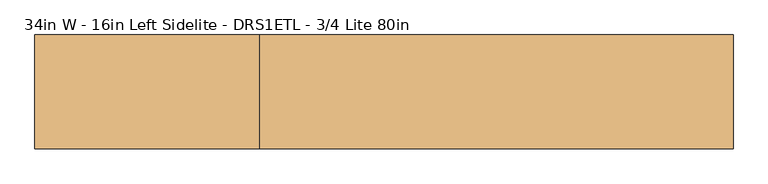
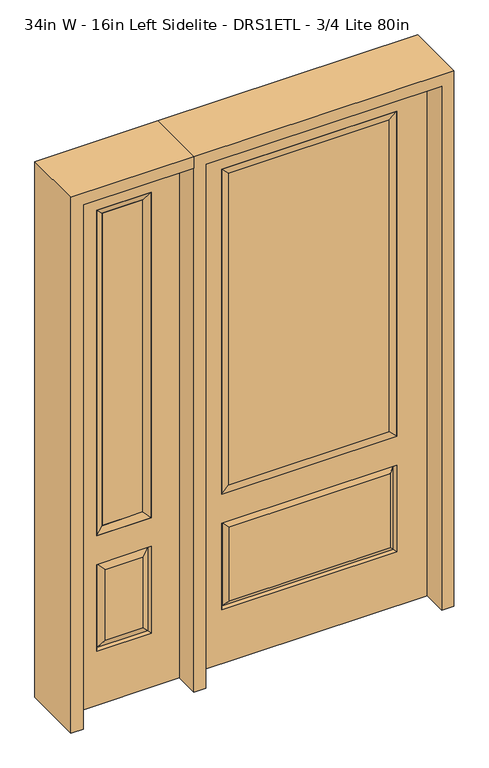
"""IFC4 building model written with IfcOpenShell, lengths in millimetres: door geometry, 34in W - 16in Left Sidelite - DRS1ETL - 3/4 Lite 80in."""

from ifc_helpers import new_model, si_unit, frame, origin, place, context, project, spatial, polyline, outline, extrude, faceted_brep, source, transform, mapped, element, save


def door_34in_w_16in_left_sidelite_drs1etl_3_4_lite_80in_cb9676ec(model_context):
    return source(origin(), model_context, "Body", "SolidModel", [
        faceted_brep([(-882.65, -22.225, 0.0), (-476.25, -22.225, 0.0), (-476.25, -22.225, 2032.0), (-882.65, -22.225, 2032.0), (-579.12, -22.225, 1919.224), (-579.12, -22.225, 657.098), (-779.78, -22.225, 657.098), (-779.78, -22.225, 1919.224), (-579.12, -22.225, 209.55), (-779.78, -22.225, 209.55), (-779.78, -22.225, 546.1), (-579.12, -22.225, 546.1), (-748.0648999, -22.225, 241.2651001), (-610.8351001, -22.225, 241.2651001), (-610.8351001, -22.225, 514.3848999), (-748.0648999, -22.225, 514.3848999), (-882.65, 22.225, 0.0), (-882.65, 22.225, 2032.0), (-476.25, 22.225, 2032.0), (-476.25, 22.225, 0.0), (-579.12, 22.225, 1919.224), (-779.78, 22.225, 1919.224), (-779.78, 22.225, 657.098), (-579.12, 22.225, 657.098), (-779.78, 22.225, 209.55), (-579.12, 22.225, 209.55), (-579.12, 22.225, 546.1), (-779.78, 22.225, 546.1), (-610.8351001, 22.225, 241.2651001), (-748.0648999, 22.225, 241.2651001), (-748.0648999, 22.225, 514.3848999), (-610.8351001, 22.225, 514.3848999), (-586.2288501, 12.7912373, 216.6588501), (-772.6711499, 12.7912373, 216.6588501), (-772.6711499, 12.7912373, 538.9911499), (-586.2288501, 12.7912373, 538.9911499), (-772.6711499, -12.7912373, 216.6588501), (-586.2288501, -12.7912373, 216.6588501), (-772.6711499, -12.7912373, 538.9911499), (-586.2288501, -12.7912373, 538.9911499)], [[[0, 1, 2, 3], [4, 5, 6, 7], [8, 9, 10, 11]], [[12, 13, 14, 15]], [[16, 17, 18, 19], [20, 21, 22, 23], [24, 25, 26, 27]], [[28, 29, 30, 31]], [[1, 0, 16, 19]], [[2, 1, 19, 18]], [[3, 2, 18, 17]], [[0, 3, 17, 16]], [[5, 4, 20, 23]], [[6, 5, 23, 22]], [[7, 6, 22, 21]], [[4, 7, 21, 20]], [[32, 33, 29, 28]], [[33, 32, 25, 24]], [[29, 33, 34, 30]], [[33, 24, 27, 34]], [[30, 34, 35, 31]], [[34, 27, 26, 35]], [[32, 28, 31, 35]], [[25, 32, 35, 26]], [[12, 36, 37, 13]], [[37, 36, 9, 8]], [[36, 12, 15, 38]], [[9, 36, 38, 10]], [[38, 15, 14, 39]], [[10, 38, 39, 11]], [[13, 37, 39, 14]], [[37, 8, 11, 39]]]),
        faceted_brep([(-779.78, 22.225, 1919.224), (-779.78, -22.225, 1919.224), (-579.12, -22.225, 1919.224), (-579.12, 22.225, 1919.224), (-754.38, 12.7, 1893.824), (-604.52, 12.7, 1893.824), (-754.38, -12.7, 1893.824), (-604.52, -12.7, 1893.824), (-579.12, -22.225, 657.098), (-579.12, 22.225, 657.098), (-604.52, 12.7, 682.498), (-604.52, -12.7, 682.498), (-779.78, -22.225, 657.098), (-779.78, 22.225, 657.098), (-754.38, 12.7, 682.498), (-754.38, -12.7, 682.498)], [[[0, 1, 2, 3]], [[4, 0, 3, 5]], [[6, 4, 5, 7]], [[1, 6, 7, 2]], [[3, 2, 8, 9]], [[5, 3, 9, 10]], [[7, 5, 10, 11]], [[2, 7, 11, 8]], [[9, 8, 12, 13]], [[10, 9, 13, 14]], [[11, 10, 14, 15]], [[8, 11, 15, 12]], [[13, 12, 1, 0]], [[14, 13, 0, 4]], [[15, 14, 4, 6]], [[12, 15, 6, 1]]]),
        extrude(outline(polyline([(-604.52, -12.7), (-754.38, -12.7), (-754.38, 12.7), (-604.52, 12.7), (-604.52, -12.7)])), frame((0.0, 0.0, 682.498), z_axis=(0.0, 0.0, 1.0), x_axis=(1.0, 0.0, 0.0)), (0.0, 0.0, 1.0), 1211.326),
        faceted_brep([(-313.5661499, -12.7912373, 216.6588501), (313.5661499, -12.7912373, 216.6588501), (296.06875, -22.225, 234.15625), (-296.06875, -22.225, 234.15625), (-320.675, -22.225, 209.55), (320.675, -22.225, 209.55), (-313.5661499, -12.7912373, 538.9911499), (-320.675, -22.225, 546.1), (296.06875, -22.225, 521.49375), (-296.06875, -22.225, 521.49375), (431.8, -22.225, 2032.0), (-431.8, -22.225, 2032.0), (-431.8, -22.225, 0.0), (431.8, -22.225, 0.0), (320.675, -22.225, 546.1), (320.675, -22.225, 1917.7), (320.675, -22.225, 657.098), (-320.675, -22.225, 657.098), (-320.675, -22.225, 1917.7), (313.5661499, -12.7912373, 538.9911499), (-431.8, 22.225, 2032.0), (-431.8, 22.225, 0.0), (431.8, 22.225, 0.0), (431.8, 22.225, 2032.0), (320.675, 22.225, 1917.7), (320.675, 22.225, 657.098), (-320.675, 22.225, 657.098), (-320.675, 22.225, 1917.7), (-320.675, 22.225, 209.55), (320.675, 22.225, 209.55), (320.675, 22.225, 546.1), (-320.675, 22.225, 546.1), (296.06875, 22.225, 234.15625), (-296.06875, 22.225, 234.15625), (-296.06875, 22.225, 521.49375), (296.06875, 22.225, 521.49375), (-313.5661499, 12.7912373, 216.6588501), (313.5661499, 12.7912373, 216.6588501), (313.5661499, 12.7912373, 538.9911499), (-313.5661499, 12.7912373, 538.9911499)], [[[0, 1, 2, 3]], [[1, 0, 4, 5]], [[4, 0, 6, 7]], [[3, 2, 8, 9]], [[10, 11, 12, 13], [5, 4, 7, 14], [15, 16, 17, 18]], [[1, 5, 14, 19]], [[2, 1, 19, 8]], [[0, 3, 9, 6]], [[7, 6, 19, 14]], [[6, 9, 8, 19]], [[12, 11, 20, 21]], [[13, 12, 21, 22]], [[10, 13, 22, 23]], [[16, 15, 24, 25]], [[17, 16, 25, 26]], [[18, 17, 26, 27]], [[23, 22, 21, 20], [28, 29, 30, 31], [24, 27, 26, 25]], [[32, 33, 34, 35]], [[28, 36, 37, 29]], [[29, 37, 38, 30]], [[39, 31, 30, 38]], [[36, 28, 31, 39]], [[37, 36, 33, 32]], [[33, 36, 39, 34]], [[34, 39, 38, 35]], [[37, 32, 35, 38]], [[11, 10, 23, 20]], [[15, 18, 27, 24]]]),
        faceted_brep([(-320.675, -22.225, 1917.7), (-320.675, 22.225, 1917.7), (-320.675, 22.225, 657.098), (-320.675, -22.225, 657.098), (320.675, 22.225, 657.098), (320.675, -22.225, 657.098), (-295.275, 5.08, 682.498), (295.275, 5.08, 682.498), (320.675, 22.225, 1917.7), (320.675, -22.225, 1917.7), (-295.275, -20.32, 682.498), (295.275, -20.32, 682.498), (-295.275, -20.32, 1892.3), (295.275, -20.32, 1892.3), (-295.275, 5.08, 1892.3), (295.275, 5.08, 1892.3)], [[[0, 1, 2, 3]], [[3, 2, 4, 5]], [[2, 6, 7, 4]], [[5, 4, 8, 9]], [[10, 3, 5, 11]], [[12, 0, 3, 10]], [[11, 5, 9, 13]], [[6, 10, 11, 7]], [[14, 12, 10, 6]], [[7, 11, 13, 15]], [[1, 14, 6, 2]], [[4, 7, 15, 8]], [[9, 8, 1, 0]], [[13, 9, 0, 12]], [[15, 13, 12, 14]], [[8, 15, 14, 1]]]),
        extrude(outline(polyline([(295.275, -20.32), (-295.275, -20.32), (-295.275, 5.08), (295.275, 5.08), (295.275, -20.32)])), frame((0.0, 0.0, 682.498), z_axis=(0.0, 0.0, 1.0), x_axis=(1.0, 0.0, 0.0)), (0.0, 0.0, 1.0), 1209.802),
        extrude(outline(polyline([(2032.0, -476.25), (2076.45, -476.25), (2076.45, -927.1), (0.0, -927.1), (0.0, -882.65), (2032.0, -882.65), (2032.0, -476.25)])), frame((0.0, -114.3, 0.0), z_axis=(0.0, 1.0, 0.0), x_axis=(0.0, 0.0, 1.0)), (0.0, 0.0, 1.0), 228.6),
        extrude(outline(polyline([(2076.45, -476.25), (0.0, -476.25), (0.0, -431.8), (2032.0, -431.8), (2032.0, 431.8), (0.0, 431.8), (0.0, 476.25), (2076.45, 476.25), (2076.45, -476.25)])), frame((0.0, -114.3, 0.0), z_axis=(0.0, 1.0, 0.0), x_axis=(0.0, 0.0, 1.0)), (0.0, 0.0, 1.0), 228.6),
    ])


if __name__ == "__main__":
    model = new_model("IFC4")
    model_context = context("Model", 3, world=origin())
    ifc_project = project(units=[si_unit("LENGTHUNIT", "METRE", prefix="MILLI")], contexts=[model_context])
    site = spatial("IfcSite", under=ifc_project)
    building = spatial("IfcBuilding", under=site)
    placement = place(None, origin())
    door_34in_w_16in_left_sidelite_drs1etl_3_4_lite_80in_shape = door_34in_w_16in_left_sidelite_drs1etl_3_4_lite_80in_cb9676ec(model_context)
    element("IfcDoor", 1, ObjectType="34in W - 16in Left Sidelite - DRS1ETL - 3/4 Lite 80in", at=placement, inside=building, context=model_context, shape_type="MappedRepresentation", body=[
        mapped(door_34in_w_16in_left_sidelite_drs1etl_3_4_lite_80in_shape, transform((0.0, 0.0, 0.0), x_axis=(1.0, 0.0, 0.0), y_axis=(0.0, 1.0, 0.0), z_axis=(0.0, 0.0, 1.0))),
    ])
    save(model, "model.ifc")
